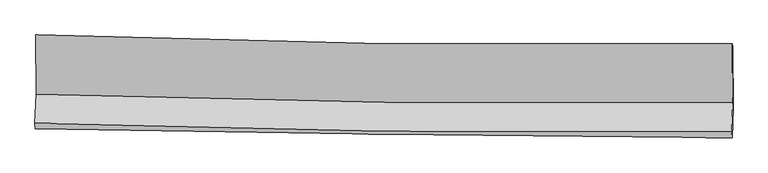
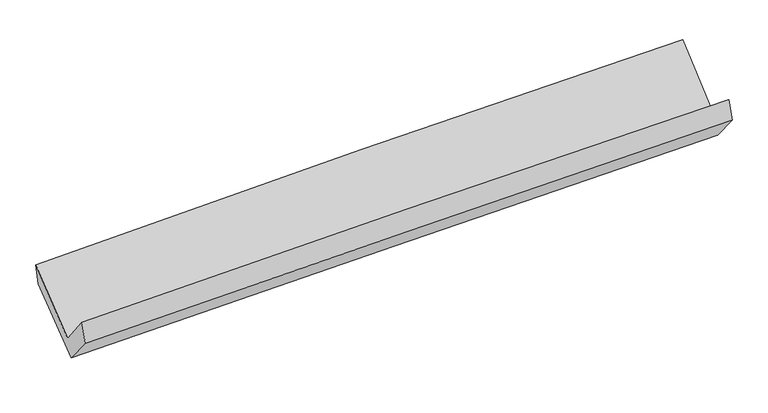
"""IFC4 building model written with IfcOpenShell, lengths in millimetres: proxy geometry."""

import ifcopenshell
import ifcopenshell.guid

model = None  # the IFC model being written
_history = None  # IfcOwnerHistory: only IFC2X3 demands one
_inside = {}  # id of a spatial element -> (the spatial element, [elements in it])
_under = {}  # id of a project, library or spatial element -> (it, [spatial elements below it])
_declared = {}  # id of a project -> (the project, [libraries it declares])
_typed = {}  # id of a type object -> (the type object, [elements of that type])
_made_of = {}  # id of a material, layer set ... -> (it, [elements and type objects made of it])


def new_model(schema):
    """Start an empty IFC model of exactly this schema.

    Asked for "IFC4X3", IfcOpenShell would pick the latest addendum, in which some entities
    have other attributes; the version numbers below select the first issue.
    IFC2X3 requires an IfcOwnerHistory on every rooted entity: one is made here for all.
    """
    global model, _history
    if schema == "IFC4X3":
        model = ifcopenshell.file(schema_version=(4, 3, 0, 0))
    else:
        model = ifcopenshell.file(schema=schema)
    _inside.clear()
    _under.clear()
    _declared.clear()
    _typed.clear()
    _made_of.clear()
    _history = None
    if model.schema == "IFC2X3":
        org = make("IfcOrganization", Name="unknown")
        user = make(
            "IfcPersonAndOrganization",
            ThePerson=make("IfcPerson", FamilyName="unknown"),
            TheOrganization=org,
        )
        app = make(
            "IfcApplication",
            ApplicationDeveloper=org,
            Version="unknown",
            ApplicationFullName="unknown",
            ApplicationIdentifier="unknown",
        )
        _history = make(
            "IfcOwnerHistory",
            OwningUser=user,
            OwningApplication=app,
            ChangeAction="ADDED",
            CreationDate=0,
        )
    return model


def make(cls, **values):
    """One entity of the class cls with the attributes given. An attribute that is None is left unset."""
    return model.create_entity(
        cls, **{name: value for name, value in values.items() if value is not None}
    )


def rooted(cls, **values):
    """An entity with a GlobalId (a new one), such as an element, a storey or a relation."""
    return make(cls, GlobalId=ifcopenshell.guid.new(), OwnerHistory=_history, **values)


def si_unit(unit_type, name, prefix=None):
    """IfcSIUnit, for example si_unit("LENGTHUNIT", "METRE", prefix="MILLI")."""
    return make("IfcSIUnit", UnitType=unit_type, Prefix=prefix, Name=name)


def assignment(units):
    """IfcUnitAssignment: the units of a project."""
    return None if units is None else make("IfcUnitAssignment", Units=units)


def point(xyz):
    """IfcCartesianPoint."""
    return None if xyz is None else make("IfcCartesianPoint", Coordinates=xyz)


def direction(xyz):
    """IfcDirection."""
    return None if xyz is None else make("IfcDirection", DirectionRatios=xyz)


def frame(location, z_axis=None, x_axis=None):
    """IfcAxis2Placement3D, a coordinate frame: its origin and axes. An axis left out is left unset."""
    return make(
        "IfcAxis2Placement3D",
        Location=point(location),
        Axis=direction(z_axis),
        RefDirection=direction(x_axis),
    )


def origin():
    """The frame at (0, 0, 0) with its axes left unset."""
    return frame((0.0, 0.0, 0.0))


def place(relative_to, where):
    """IfcLocalPlacement: puts the frame where relative to a parent placement (None: the world)."""
    return make(
        "IfcLocalPlacement", PlacementRelTo=relative_to, RelativePlacement=where
    )


def context(
    kind, dimensions, precision=None, world=None, true_north=None, identifier=None
):
    """IfcGeometricRepresentationContext, for example the 3D "Model" context."""
    return make(
        "IfcGeometricRepresentationContext",
        ContextIdentifier=identifier,
        ContextType=kind,
        CoordinateSpaceDimension=dimensions,
        Precision=precision,
        WorldCoordinateSystem=world,
        TrueNorth=true_north,
    )


def project(units=None, contexts=None):
    """IfcProject with its units and contexts."""
    return rooted(
        "IfcProject",
        Name="project",
        RepresentationContexts=contexts,
        UnitsInContext=assignment(units),
    )


def spatial(cls, under=None, at=None, **own):
    """A site, building, storey or space (cls), placed at a placement, below another one or the project."""
    s = rooted(cls, ObjectPlacement=at, **own)
    if under is not None:
        _under.setdefault(under.id(), (under, []))[1].append(s)
    return s


def shape(context_of_items, identifier, shape_type, items):
    """IfcShapeRepresentation: the items that make up one representation, for example the "Body"."""
    return make(
        "IfcShapeRepresentation",
        ContextOfItems=context_of_items,
        RepresentationIdentifier=identifier,
        RepresentationType=shape_type,
        Items=items,
    )


def source(mapping_origin, context_of_items, identifier, shape_type, items):
    """IfcRepresentationMap: a shape defined once, which mapped items show again and again."""
    return make(
        "IfcRepresentationMap",
        MappingOrigin=mapping_origin,
        MappedRepresentation=shape(context_of_items, identifier, shape_type, items),
    )


def transform(
    local_origin,
    x_axis=None,
    y_axis=None,
    z_axis=None,
    scale=None,
    scale2=None,
    scale3=None,
    uniform=True,
):
    """IfcCartesianTransformationOperator3D, or its non-uniform kind. x_axis, y_axis, z_axis: its Axis1, 2, 3."""
    if uniform:
        return make(
            "IfcCartesianTransformationOperator3D",
            Axis1=direction(x_axis),
            Axis2=direction(y_axis),
            LocalOrigin=point(local_origin),
            Scale=scale,
            Axis3=direction(z_axis),
        )
    return make(
        "IfcCartesianTransformationOperator3DnonUniform",
        Axis1=direction(x_axis),
        Axis2=direction(y_axis),
        LocalOrigin=point(local_origin),
        Scale=scale,
        Axis3=direction(z_axis),
        Scale2=scale2,
        Scale3=scale3,
    )


def mapped(mapping_source, mapping_target):
    """IfcMappedItem: shows the shape of a source again, moved by a transform."""
    return make(
        "IfcMappedItem", MappingSource=mapping_source, MappingTarget=mapping_target
    )


def made_of(thing, what):
    """Note that an element or type object is made of a material, layer set ...; save() writes the relation."""
    if what is not None:
        _made_of.setdefault(what.id(), (what, []))[1].append(thing)
    return thing


def element(
    cls,
    number,
    at=None,
    inside=None,
    cuts=None,
    type_object=None,
    material=None,
    context=None,
    identifier="Body",
    shape_type=None,
    held_by="IfcProductDefinitionShape",
    body=None,
    shapes=None,
    **own,
):
    """One element of the class cls, such as IfcWall. Its Tag is "e" and its number.

    at: its placement. inside: the storey or other place that contains it. cuts: it is an
    opening in that element (IfcRelVoidsElement). A single representation is given by context,
    identifier, shape_type and body (its items); several are given by shapes. held_by: the class
    of the entity that holds the representations. save() writes the other relations.
    """
    e = rooted(cls, Tag="e%d" % number, ObjectPlacement=at, **own)
    if body is not None:
        shapes = [shape(context, identifier, shape_type, body)]
    if shapes is not None:
        e.Representation = make(held_by, Representations=shapes)
    if inside is not None:
        _inside.setdefault(inside.id(), (inside, []))[1].append(e)
    if cuts is not None:
        rooted(
            "IfcRelVoidsElement", RelatingBuildingElement=cuts, RelatedOpeningElement=e
        )
    if type_object is not None:
        _typed.setdefault(type_object.id(), (type_object, []))[1].append(e)
    return made_of(e, material)


def aggregate(whole, parts):
    """IfcRelAggregates: a whole, such as a stair, and the parts it consists of."""
    return rooted("IfcRelAggregates", RelatingObject=whole, RelatedObjects=parts)


def save(model, path):
    """Write the relations noted so far, then the file.

    IfcRelAggregates (storeys below a building ...), IfcRelContainedInSpatialStructure (elements
    in a storey), IfcRelDefinesByType, IfcRelAssociatesMaterial and IfcRelDeclares: one each for
    every whole, place, type object, material and project.
    """
    for whole, parts in _under.values():
        aggregate(whole, parts)
    for where, things in _inside.values():
        rooted(
            "IfcRelContainedInSpatialStructure",
            RelatedElements=things,
            RelatingStructure=where,
        )
    for kind, things in _typed.values():
        rooted("IfcRelDefinesByType", RelatedObjects=things, RelatingType=kind)
    for what, things in _made_of.values():
        rooted("IfcRelAssociatesMaterial", RelatedObjects=things, RelatingMaterial=what)
    for by, libraries in _declared.values():
        rooted("IfcRelDeclares", RelatingContext=by, RelatedDefinitions=libraries)
    model.write(path)


def plane_surface(at):
    """IfcPlane: the flat surface through the origin of the frame at, square to its z axis."""
    return make("IfcPlane", Position=at)


def spline_curve(degree, points, multiplicities, knots, weights=None):
    """IfcBSplineCurveWithKnots; with weights, IfcRationalBSplineCurveWithKnots."""
    own = dict(
        Degree=degree,
        ControlPointsList=[point(p) for p in points],
        CurveForm="UNSPECIFIED",
        ClosedCurve=False,
        SelfIntersect=False,
        KnotMultiplicities=multiplicities,
        Knots=knots,
        KnotSpec="UNSPECIFIED",
    )
    if weights is None:
        return make("IfcBSplineCurveWithKnots", **own)
    return make("IfcRationalBSplineCurveWithKnots", WeightsData=weights, **own)


def spline_surface(u_degree, v_degree, points, u_multiplicities, v_multiplicities, u_knots, v_knots, weights=None):
    """IfcBSplineSurfaceWithKnots; with weights, IfcRationalBSplineSurfaceWithKnots. points: one row for each step in u."""
    own = dict(
        UDegree=u_degree,
        VDegree=v_degree,
        ControlPointsList=[[point(p) for p in row] for row in points],
        SurfaceForm="UNSPECIFIED",
        UClosed=False,
        VClosed=False,
        SelfIntersect=False,
        UMultiplicities=u_multiplicities,
        VMultiplicities=v_multiplicities,
        UKnots=u_knots,
        VKnots=v_knots,
        KnotSpec="UNSPECIFIED",
    )
    if weights is None:
        return make("IfcBSplineSurfaceWithKnots", **own)
    return make("IfcRationalBSplineSurfaceWithKnots", WeightsData=weights, **own)


def advanced_brep(points, edges, surfaces, faces):
    """IfcAdvancedBrep: a solid bounded by faces that lie on surfaces and meet in shared edges.

    An edge is (start, end): straight between two places in points (the first is 0);
    or (start, end, curve); or (start, end, curve, False) where it runs against its curve.
    A face is (place in surfaces, loops), or (place, loops, False) where it looks against
    its surface's normal. A loop lists edges by number (the first is 1), with a minus sign
    where the edge is run from its end to its start. The first loop is the outer one.
    """
    corners = [point(p) for p in points]
    vertices = [make("IfcVertexPoint", VertexGeometry=c) for c in corners]
    made = []
    for start, end, *more in edges:
        made.append(
            make(
                "IfcEdgeCurve",
                EdgeStart=vertices[start],
                EdgeEnd=vertices[end],
                EdgeGeometry=more[0] if more else make("IfcPolyline", Points=[corners[start], corners[end]]),
                SameSense=more[1] if len(more) > 1 else True,
            )
        )
    hull = []
    for where, loops, *sense in faces:
        bounds = []
        for j, loop in enumerate(loops):
            ring = [make("IfcOrientedEdge", EdgeElement=made[abs(k) - 1], Orientation=k > 0) for k in loop]
            bounds.append(
                make(
                    "IfcFaceOuterBound" if j == 0 else "IfcFaceBound",
                    Bound=make("IfcEdgeLoop", EdgeList=ring),
                    Orientation=True,
                )
            )
        hull.append(make("IfcAdvancedFace", Bounds=bounds, FaceSurface=surfaces[where], SameSense=sense[0] if sense else True))
    return make("IfcAdvancedBrep", Outer=make("IfcClosedShell", CfsFaces=hull))


def generic_models_b813dd0f(model_context):
    return source(origin(), model_context, "Body", "AdvancedBrep", [
        advanced_brep(
        [(-3027.3667575, -1157.0411895, 2141.0504405), (-3024.9812717, -1673.0786039, 1720.2836778), (3015.9588249, -1746.3775341, 1866.0536343), (3012.9766634, -1235.0870781, 2312.8718458), (-3034.5266358, -1923.5535768, 2033.7564166), (3006.4370351, -1996.3228107, 2178.6995779), (-3031.4214207, -1971.5645623, 1855.1479922), (3009.3409304, -2049.5191772, 2006.7601645), (-3022.2611892, -1724.5204979, 1558.2733832), (3018.619825, -1799.2748634, 1706.0397931), (-3024.3190481, -1192.7764008, 1972.4881271), (3016.5468394, -1263.6220725, 2123.2993072)],
        [
            (0, 1),
            (1, 2, spline_curve(3, [(-3024.9812717, -1673.0786039, 1720.2836778), (-2018.965516286, -1705.039665327, 1769.87333529), (-1012.524425907, -1727.128279397, 1806.815639053), (1001.122345981, -1751.559568398, 1855.403462083), (2008.327953861, -1753.903930958, 1867.051143798), (3015.9588249, -1746.3775341, 1866.0536343)], [4, 2, 4], [0.0, 9.915677069692002, 19.83050641155726])),
            (2, 3),
            (3, 0, spline_curve(3, [(3012.9766634, -1235.0870781, 2312.8718458), (2005.26275831, -1246.216143872, 2315.75363193), (998.06534991, -1245.277646492, 2302.877360311), (-1015.382545135, -1219.264413877, 2245.606253625), (-2021.632943787, -1194.187614918, 2201.208723386), (-3027.3667575, -1157.0411895, 2141.0504405)], [4, 2, 4], [0.0, 9.914829341865257, 19.83050641155726])),
            (1, 4),
            (4, 5, spline_curve(3, [(-3034.5266358, -1923.5535768, 2033.7564166), (-2028.59635301, -1957.80283385, 2086.126169143), (-1022.196031762, -1980.991351373, 2124.389555622), (991.458605499, -2005.245871578, 2172.701530705), (1998.712841307, -2006.31376527, 2182.752531478), (3006.4370351, -1996.3228107, 2178.6995779)], [4, 2, 4], [0.0, 9.915361042486872, 19.82987438416533])),
            (5, 2),
            (4, 6),
            (6, 7, spline_curve(3, [(-3031.4214207, -1971.5645623, 1855.1479922), (-2024.896208556, -1990.322077923, 1887.909368078), (-1018.215213482, -2006.197208326, 1916.924783845), (995.37226329, -2032.181587276, 1967.461533976), (2002.278718845, -2042.291328645, 1988.983509315), (3009.3409304, -2049.5191772, 2006.7601645)], [4, 2, 4], [0.0, 9.914464065270403, 19.828080506418285])),
            (7, 5),
            (6, 8),
            (8, 9, spline_curve(3, [(-3022.2611892, -1724.5204979, 1558.2733832), (-2015.676676867, -1741.678739308, 1589.11289988), (-1008.956143956, -1756.487556325, 1616.846919227), (1004.670884073, -1781.405276675, 1666.10185819), (2011.577355692, -1791.51458126, 1687.623308811), (3018.619825, -1799.2748634, 1706.0397931)], [4, 2, 4], [0.0, 9.913848574587218, 19.826849577672487])),
            (9, 7),
            (8, 10),
            (10, 11, spline_curve(3, [(-3024.3190481, -1192.7764008, 1972.4881271), (-2017.732180278, -1210.543279501, 2002.853531356), (-1011.011730347, -1225.330649896, 2030.604256996), (1002.61025508, -1248.945364207, 2080.87420343), (2009.511767436, -1257.773217904, 2103.39387087), (3016.5468394, -1263.6220725, 2123.2993072)], [4, 2, 4], [0.0, 9.9138260907017, 19.826804611823682])),
            (11, 9),
            (10, 0),
            (3, 11),
        ],
        [
            spline_surface(3, 3, [[(-3027.3667575, -1157.0411895, 2141.0504405), (-2021.632943897, -1194.187615011, 2201.208723265), (-1015.382545268, -1219.264413919, 2245.606253461), (998.065350043, -1245.277646449, 2302.877360475), (2005.262758343, -1246.21614375, 2315.753632002), (3012.9766634, -1235.0870781, 2312.8718458)], [(-3026.571595574, -1329.053660978, 2000.794852932), (-2020.743801421, -1364.471631832, 2057.430260598), (-1014.429838784, -1388.552369128, 2099.342715318), (999.084348627, -1414.038287065, 2153.719394352), (2006.284490218, -1415.445406161, 2166.186135935), (3013.970717225, -1405.517230126, 2163.932441966)], [(-3025.776433626, -1501.066132422, 1860.539265368), (-2019.854658922, -1534.755648618, 1913.651797936), (-1013.477132252, -1557.840324313, 1953.079177173), (1000.103347258, -1582.798927657, 2004.561428229), (2007.306222117, -1584.674668494, 2016.618639869), (3014.964771075, -1575.947382074, 2014.993038134)], [(-3024.9812717, -1673.0786039, 1720.2836778), (-2018.965516446, -1705.03966544, 1769.873335269), (-1012.524425768, -1727.128279522, 1806.815639029), (1001.122345841, -1751.559568273, 1855.403462106), (2008.327953992, -1753.903930905, 1867.051143801), (3015.9588249, -1746.3775341, 1866.0536343)]], [4, 4], [4, 2, 4], [0.0, 2.209390769427641], [0.0, 9.915677069692002, 19.83050641155726]),
            spline_surface(3, 3, [[(-3024.9812717, -1673.0786039, 1720.2836778), (-2018.965516446, -1705.03966544, 1769.873335269), (-1012.524425768, -1727.128279522, 1806.815639029), (1001.122345841, -1751.559568273, 1855.403462106), (2008.327953992, -1753.903930905, 1867.051143801), (3015.9588249, -1746.3775341, 1866.0536343)], [(-3028.163059711, -1756.570261514, 1824.774590747), (-2022.175795237, -1789.294054856, 1875.290946581), (-1015.748294445, -1811.749303492, 1912.673611216), (997.901099069, -1836.12166937, 1961.169484996), (2005.122916461, -1838.040542301, 1972.284939674), (3012.784894958, -1829.69262627, 1970.26894882)], [(-3031.344847789, -1840.061919186, 1929.265503653), (-2025.386074096, -1873.548444331, 1980.708557851), (-1018.972163115, -1896.370327439, 2018.531583383), (994.679852302, -1920.683770445, 2066.935507867), (2001.917878957, -1922.177153786, 2077.518735587), (3009.610965042, -1913.00771853, 2074.48426338)], [(-3034.5266358, -1923.5535768, 2033.7564166), (-2028.596352886, -1957.802833747, 2086.126169162), (-1022.196031792, -1980.991351409, 2124.38955557), (991.458605529, -2005.245871542, 2172.701530757), (1998.712841427, -2006.313765182, 2182.752531459), (3006.4370351, -1996.3228107, 2178.6995779)]], [4, 4], [4, 2, 4], [0.0, 1.3337357757047927], [0.0, 9.915361042486872, 19.82987438416533]),
            spline_surface(3, 3, [[(-3034.5266358, -1923.5535768, 2033.7564166), (-2028.596352886, -1957.802833747, 2086.126169162), (-1022.196031792, -1980.991351409, 2124.38955557), (991.458605529, -2005.245871542, 2172.701530757), (1998.712841427, -2006.313765182, 2182.752531459), (3006.4370351, -1996.3228107, 2178.6995779)], [(-3033.491564115, -1939.557238661, 1974.220275114), (-2027.362971441, -1968.642581884, 2020.053902131), (-1020.869092398, -1989.393303735, 2055.234631618), (992.763158153, -2014.224443422, 2104.288198512), (1999.901467243, -2018.306286314, 2118.162857365), (3007.405000207, -2014.054932885, 2121.386440108)], [(-3032.456492385, -1955.560900439, 1914.684133686), (-2026.12958995, -1979.482329939, 1953.981635159), (-1019.542152996, -1997.795256078, 1986.07970771), (994.067710786, -2023.203015318, 2035.874866309), (2001.090093038, -2030.29880739, 2053.573183248), (3008.372965293, -2031.787055015, 2064.073302292)], [(-3031.4214207, -1971.5645623, 1855.1479922), (-2024.896208505, -1990.322078076, 1887.909368128), (-1018.215213602, -2006.197208404, 1916.924783758), (995.37226341, -2032.181587198, 1967.461534063), (2002.278718855, -2042.291328522, 1988.983509154), (3009.3409304, -2049.5191772, 2006.7601645)]], [4, 4], [4, 2, 4], [0.0, 0.682514129453336], [0.0, 9.914464065270403, 19.828080506418285]),
            spline_surface(3, 3, [[(-3031.4214207, -1971.5645623, 1855.1479922), (-2024.896208505, -1990.322078076, 1887.909368128), (-1018.215213602, -2006.197208404, 1916.924783758), (995.37226341, -2032.181587198, 1967.461534063), (2002.278718855, -2042.291328522, 1988.983509154), (3009.3409304, -2049.5191772, 2006.7601645)], [(-3028.368010208, -1889.216540831, 1756.189789216), (-2021.823031333, -1907.440965162, 1788.310545363), (-1015.128857032, -1922.960657743, 1816.898828926), (998.471803647, -1948.589483641, 1867.008308788), (2005.378264488, -1958.699079442, 1888.530109002), (3012.433895273, -1966.104405919, 1906.520040682)], [(-3025.314599692, -1806.868519369, 1657.231586184), (-2018.749854136, -1824.559852255, 1688.71172255), (-1012.042500519, -1839.724107108, 1716.872874052), (1001.571343828, -1864.99738011, 1766.555083471), (2008.477810102, -1875.106830404, 1788.076708904), (3015.526860127, -1882.689634681, 1806.279916918)], [(-3022.2611892, -1724.5204979, 1558.2733832), (-2015.676676964, -1741.67873934, 1589.112899785), (-1008.956143949, -1756.487556447, 1616.84691922), (1004.670884066, -1781.405276554, 1666.101858197), (2011.577355735, -1791.514581323, 1687.623308752), (3018.619825, -1799.2748634, 1706.0397931)]], [4, 4], [4, 2, 4], [0.0, 1.2838919173689252], [0.0, 9.913848574587218, 19.826849577672487]),
            spline_surface(3, 3, [[(-3022.2611892, -1724.5204979, 1558.2733832), (-2015.676676964, -1741.67873934, 1589.112899785), (-1008.956143949, -1756.487556447, 1616.84691922), (1004.670884066, -1781.405276554, 1666.101858197), (2011.577355735, -1791.514581323, 1687.623308752), (3018.619825, -1799.2748634, 1706.0397931)], [(-3022.947142165, -1547.272465523, 1696.344964513), (-2016.361844784, -1564.633586038, 1727.026443605), (-1009.641339435, -1579.435254237, 1754.766031852), (1003.984007695, -1603.918639131, 1804.3593066), (2010.888826285, -1613.600793505, 1826.213496142), (3017.928829797, -1620.723933115, 1845.126297807)], [(-3023.633095135, -1370.024433177, 1834.416545787), (-2017.047012608, -1387.588432767, 1864.939987386), (-1010.326534827, -1402.382952027, 1892.685144436), (1003.297131417, -1426.432001708, 1942.616754955), (2010.200296843, -1435.687005643, 1964.803683511), (3017.237834603, -1442.173002785, 1984.212802493)], [(-3024.3190481, -1192.7764008, 1972.4881271), (-2017.732180428, -1210.543279465, 2002.853531206), (-1011.011730313, -1225.330649818, 2030.604257068), (1002.610255046, -1248.945364285, 2080.874203359), (2009.511767392, -1257.773217824, 2103.3938709), (3016.5468394, -1263.6220725, 2123.2993072)]], [4, 4], [4, 2, 4], [0.0, 2.211684436706513], [0.0, 9.9138260907017, 19.826804611823682]),
            spline_surface(3, 3, [[(-3024.3190481, -1192.7764008, 1972.4881271), (-2017.732180428, -1210.543279465, 2002.853531206), (-1011.011730313, -1225.330649818, 2030.604257068), (1002.610255046, -1248.945364285, 2080.874203359), (2009.511767392, -1257.773217824, 2103.3938709), (3016.5468394, -1263.6220725, 2123.2993072)], [(-3025.334951227, -1180.864663693, 2028.675564878), (-2019.03243491, -1205.091391307, 2068.971928537), (-1012.468668599, -1223.308571184, 2102.271589176), (1001.095286745, -1247.722791672, 2154.875255708), (2008.095431049, -1253.920859785, 2174.180457952), (3015.356780739, -1254.110407685, 2186.490153418)], [(-3026.350854373, -1168.952926607, 2084.863002722), (-2020.332689414, -1199.639503169, 2135.090325934), (-1013.925606983, -1221.286492553, 2173.938921353), (999.580318345, -1246.500219062, 2228.876308126), (2006.679094687, -1250.06850179, 2244.96704495), (3014.166722061, -1244.598742915, 2249.680999582)], [(-3027.3667575, -1157.0411895, 2141.0504405), (-2021.632943897, -1194.187615011, 2201.208723265), (-1015.382545268, -1219.264413919, 2245.606253461), (998.065350043, -1245.277646449, 2302.877360475), (2005.262758343, -1246.21614375, 2315.753632002), (3012.9766634, -1235.0870781, 2312.8718458)]], [4, 4], [4, 2, 4], [0.0, 0.7171979503786208], [0.0, 9.914653249519873, 19.828458858743165]),
            plane_surface(frame((3013.3133531, -1681.7005893, 2032.2873871), z_axis=(0.9997115647384199, -0.012231258550175032, 0.020668421384782597), x_axis=(-0.0030530220825343013, 0.7888910526879925, 0.6145254966598169))),
            plane_surface(frame((-3027.4793872, -1607.0891385, 1880.1666729), z_axis=(-0.9997115647383632, 0.012231258551963399, -0.020668421386472645), x_axis=(0.017684738263372485, -0.20735830759096527, -0.9781052000196946))),
        ],
        [
            (0, [[1, 2, 3, 4]]),
            (1, [[5, 6, 7, -2]]),
            (2, [[8, 9, 10, -6]]),
            (3, [[11, 12, 13, -9]]),
            (4, [[14, 15, 16, -12]]),
            (5, [[17, -4, 18, -15]]),
            (6, [[-16, -18, -3, -7, -10, -13]]),
            (7, [[-17, -14, -11, -8, -5, -1]]),
        ],
    ),
    ])


if __name__ == "__main__":
    model = new_model("IFC4")
    model_context = context("Model", 3, world=origin())
    ifc_project = project(units=[si_unit("LENGTHUNIT", "METRE", prefix="MILLI")], contexts=[model_context])
    site = spatial("IfcSite", under=ifc_project)
    building = spatial("IfcBuilding", under=site)
    placement = place(None, origin())
    generic_models_shape = generic_models_b813dd0f(model_context)
    element("IfcBuildingElementProxy", 1, Name="Generic Models", at=placement, inside=building, context=model_context, shape_type="MappedRepresentation", body=[
        mapped(generic_models_shape, transform((0.0, 0.0, 0.0), x_axis=(1.0, 0.0, 0.0), y_axis=(0.0, 1.0, 0.0), z_axis=(0.0, 0.0, 1.0))),
    ])
    save(model, "model.ifc")
